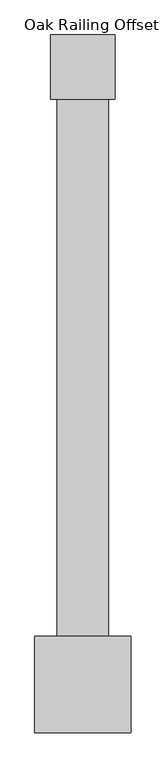
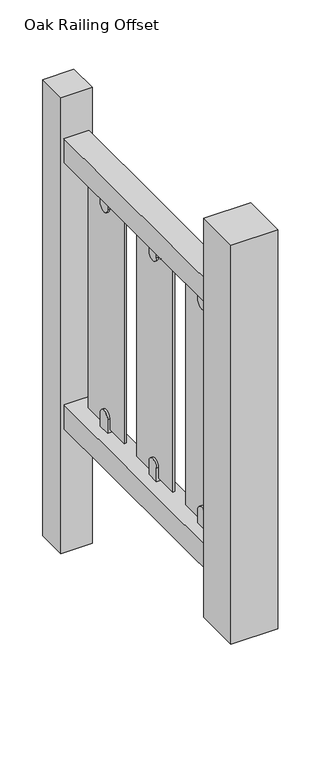
"""IFC4 building model written with IfcOpenShell, lengths in millimetres: railing geometry, Oak Railing Offset."""

from ifc_helpers import new_model, si_unit, point, frame, frame_2d, origin, place, context, project, spatial, polyline, circle_curve, trimmed, segment, composite_curve, outline, extrude, source, transform, mapped, element, save


def oak_railing_offset_eb4b0ed8(model_context):
    return source(origin(), model_context, "Body", "SweptSolid", [
        extrude(outline(polyline([(486.6546435, 3022.5685624), (406.6546435, 3022.5685624), (406.6546435, 3982.5685624), (486.6546435, 3982.5685624), (486.6546435, 3022.5685624)])), frame((0.0, 0.0, 820.0), z_axis=(0.0, 0.0, 1.0), x_axis=(1.0, 0.0, 0.0)), (0.0, 0.0, 1.0), 80.0),
        extrude(outline(polyline([(486.6546435, 3022.5685624), (406.6546435, 3022.5685624), (406.6546435, 3982.5685624), (486.6546435, 3982.5685624), (486.6546435, 3022.5685624)])), frame((0.0, 0.0, -80.0), z_axis=(0.0, 0.0, 1.0), x_axis=(1.0, 0.0, 0.0)), (0.0, 0.0, 1.0), 80.0),
        extrude(outline(composite_curve([segment(polyline([(3742.5685624, 810.9791886), (3782.5685624, 810.9791886), (3782.5685624, 765.3149347)]), True, "CONTINUOUS"), segment(trimmed(circle_curve(frame_2d((3762.5685624, 765.3149347)), 20.0), [point((3782.5685624, 765.3149347))], [point((3742.5685624, 765.3149347))], False, "CARTESIAN"), True, "CONTINUOUS"), segment(polyline([(3742.5685624, 765.3149347), (3742.5685624, 810.9791886)]), True, "CONTINUOUS")], self_intersect=False)), frame((436.6546435, 0.0, 0.0), z_axis=(1.0, 0.0, 0.0), x_axis=(0.0, 1.0, 0.0)), (0.0, 0.0, 1.0), 20.0),
        extrude(outline(composite_curve([segment(polyline([(3782.5685624, 9.0208114), (3742.5685624, 9.0208114), (3742.5685624, 54.6850653)]), True, "CONTINUOUS"), segment(trimmed(circle_curve(frame_2d((3762.5685624, 54.6850653)), 20.0), [point((3742.5685624, 54.6850653))], [point((3782.5685624, 54.6850653))], False, "CARTESIAN"), True, "CONTINUOUS"), segment(polyline([(3782.5685624, 54.6850653), (3782.5685624, 9.0208114)]), True, "CONTINUOUS")], self_intersect=False)), frame((436.6546435, 0.0, 0.0), z_axis=(1.0, 0.0, 0.0), x_axis=(0.0, 1.0, 0.0)), (0.0, 0.0, 1.0), 20.0),
        extrude(outline(polyline([(449.6546435, 3662.5685624), (443.6546435, 3662.5685624), (443.6546435, 3862.5685624), (449.6546435, 3862.5685624), (449.6546435, 3662.5685624)])), frame((0.0, 0.0, 20.0), z_axis=(0.0, 0.0, 1.0), x_axis=(1.0, 0.0, 0.0)), (0.0, 0.0, 1.0), 780.0),
        extrude(outline(composite_curve([segment(polyline([(3472.5685624, 810.9791886), (3512.5685624, 810.9791886), (3512.5685624, 765.3149347)]), True, "CONTINUOUS"), segment(trimmed(circle_curve(frame_2d((3492.5685624, 765.3149347)), 20.0), [point((3512.5685624, 765.3149347))], [point((3472.5685624, 765.3149347))], False, "CARTESIAN"), True, "CONTINUOUS"), segment(polyline([(3472.5685624, 765.3149347), (3472.5685624, 810.9791886)]), True, "CONTINUOUS")], self_intersect=False)), frame((436.6546435, 0.0, 0.0), z_axis=(1.0, 0.0, 0.0), x_axis=(0.0, 1.0, 0.0)), (0.0, 0.0, 1.0), 20.0),
        extrude(outline(composite_curve([segment(polyline([(3512.5685624, 9.0208114), (3472.5685624, 9.0208114), (3472.5685624, 54.6850653)]), True, "CONTINUOUS"), segment(trimmed(circle_curve(frame_2d((3492.5685624, 54.6850653)), 20.0), [point((3472.5685624, 54.6850653))], [point((3512.5685624, 54.6850653))], False, "CARTESIAN"), True, "CONTINUOUS"), segment(polyline([(3512.5685624, 54.6850653), (3512.5685624, 9.0208114)]), True, "CONTINUOUS")], self_intersect=False)), frame((436.6546435, 0.0, 0.0), z_axis=(1.0, 0.0, 0.0), x_axis=(0.0, 1.0, 0.0)), (0.0, 0.0, 1.0), 20.0),
        extrude(outline(polyline([(449.6546435, 3392.5685624), (443.6546435, 3392.5685624), (443.6546435, 3592.5685624), (449.6546435, 3592.5685624), (449.6546435, 3392.5685624)])), frame((0.0, 0.0, 20.0), z_axis=(0.0, 0.0, 1.0), x_axis=(1.0, 0.0, 0.0)), (0.0, 0.0, 1.0), 780.0),
        extrude(outline(composite_curve([segment(polyline([(3202.5685624, 810.9791886), (3242.5685624, 810.9791886), (3242.5685624, 765.3149347)]), True, "CONTINUOUS"), segment(trimmed(circle_curve(frame_2d((3222.5685624, 765.3149347)), 20.0), [point((3242.5685624, 765.3149347))], [point((3202.5685624, 765.3149347))], False, "CARTESIAN"), True, "CONTINUOUS"), segment(polyline([(3202.5685624, 765.3149347), (3202.5685624, 810.9791886)]), True, "CONTINUOUS")], self_intersect=False)), frame((436.6546435, 0.0, 0.0), z_axis=(1.0, 0.0, 0.0), x_axis=(0.0, 1.0, 0.0)), (0.0, 0.0, 1.0), 20.0),
        extrude(outline(composite_curve([segment(polyline([(3242.5685624, 9.0208114), (3202.5685624, 9.0208114), (3202.5685624, 54.6850653)]), True, "CONTINUOUS"), segment(trimmed(circle_curve(frame_2d((3222.5685624, 54.6850653)), 20.0), [point((3202.5685624, 54.6850653))], [point((3242.5685624, 54.6850653))], False, "CARTESIAN"), True, "CONTINUOUS"), segment(polyline([(3242.5685624, 54.6850653), (3242.5685624, 9.0208114)]), True, "CONTINUOUS")], self_intersect=False)), frame((436.6546435, 0.0, 0.0), z_axis=(1.0, 0.0, 0.0), x_axis=(0.0, 1.0, 0.0)), (0.0, 0.0, 1.0), 20.0),
        extrude(outline(polyline([(449.6546435, 3122.5685624), (443.6546435, 3122.5685624), (443.6546435, 3322.5685624), (449.6546435, 3322.5685624), (449.6546435, 3122.5685624)])), frame((0.0, 0.0, 20.0), z_axis=(0.0, 0.0, 1.0), x_axis=(1.0, 0.0, 0.0)), (0.0, 0.0, 1.0), 780.0),
        extrude(outline(polyline([(496.6546435, 3932.5685624), (396.6546435, 3932.5685624), (396.6546435, 4032.5685624), (496.6546435, 4032.5685624), (496.6546435, 3932.5685624)])), frame((0.0, 0.0, -500.0), z_axis=(0.0, 0.0, 1.0), x_axis=(1.0, 0.0, 0.0)), (0.0, 0.0, 1.0), 1542.0),
        extrude(outline(polyline([(521.6546435, 2947.5685624), (371.6546435, 2947.5685624), (371.6546435, 3097.5685624), (521.6546435, 3097.5685624), (521.6546435, 2947.5685624)])), frame((0.0, 0.0, -200.0), z_axis=(0.0, 0.0, 1.0), x_axis=(1.0, 0.0, 0.0)), (0.0, 0.0, 1.0), 1350.0),
    ])


if __name__ == "__main__":
    model = new_model("IFC4")
    model_context = context("Model", 3, world=origin())
    ifc_project = project(units=[si_unit("LENGTHUNIT", "METRE", prefix="MILLI")], contexts=[model_context])
    site = spatial("IfcSite", under=ifc_project)
    building = spatial("IfcBuilding", under=site)
    placement = place(None, origin())
    oak_railing_offset_shape = oak_railing_offset_eb4b0ed8(model_context)
    element("IfcRailing", 1, ObjectType="Oak Railing Offset", at=placement, inside=building, context=model_context, shape_type="MappedRepresentation", body=[
        mapped(oak_railing_offset_shape, transform((0.0, 0.0, 0.0), x_axis=(1.0, 0.0, 0.0), y_axis=(0.0, 1.0, 0.0), z_axis=(0.0, 0.0, 1.0))),
    ])
    save(model, "model.ifc")
